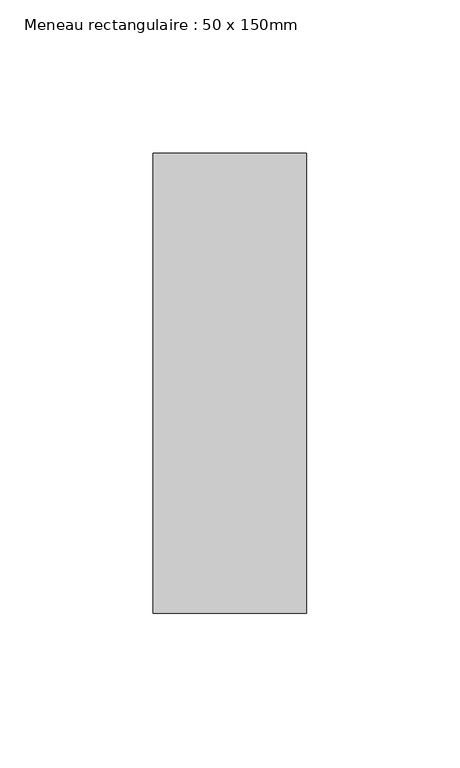
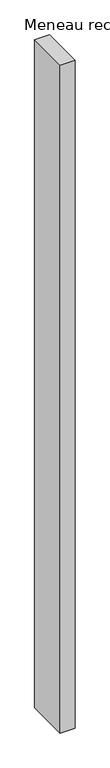
"""IFC4 building model written with IfcOpenShell, lengths in millimetres: member geometry, Meneau rectangulaire : 50 x 150mm."""

from ifc_helpers import new_model, si_unit, frame, origin, place, context, project, spatial, polyline, outline, extrude, source, transform, mapped, element, save


def meneau_rectangulaire_50_x_150mm_6225e4e3(model_context):
    return source(origin(), model_context, "Body", "SweptSolid", [
        extrude(outline(polyline([(25.0, 75.0), (25.0, -75.0), (-25.0, -75.0), (-25.0, 75.0), (25.0, 75.0)])), frame((0.0, 0.0, -2400.0), z_axis=(0.0, 0.0, 1.0), x_axis=(1.0, 0.0, 0.0)), (0.0, 0.0, 1.0), 2400.0),
    ])


if __name__ == "__main__":
    model = new_model("IFC4")
    model_context = context("Model", 3, world=origin())
    ifc_project = project(units=[si_unit("LENGTHUNIT", "METRE", prefix="MILLI")], contexts=[model_context])
    site = spatial("IfcSite", under=ifc_project)
    building = spatial("IfcBuilding", under=site)
    placement = place(None, origin())
    meneau_rectangulaire_50_x_150mm_shape = meneau_rectangulaire_50_x_150mm_6225e4e3(model_context)
    element("IfcMember", 1, ObjectType="Meneau rectangulaire : 50 x 150mm", at=placement, inside=building, context=model_context, shape_type="MappedRepresentation", body=[
        mapped(meneau_rectangulaire_50_x_150mm_shape, transform((0.0, 0.0, 0.0), x_axis=(1.0, 0.0, 0.0), y_axis=(0.0, 1.0, 0.0), z_axis=(0.0, 0.0, 1.0))),
    ])
    save(model, "model.ifc")
